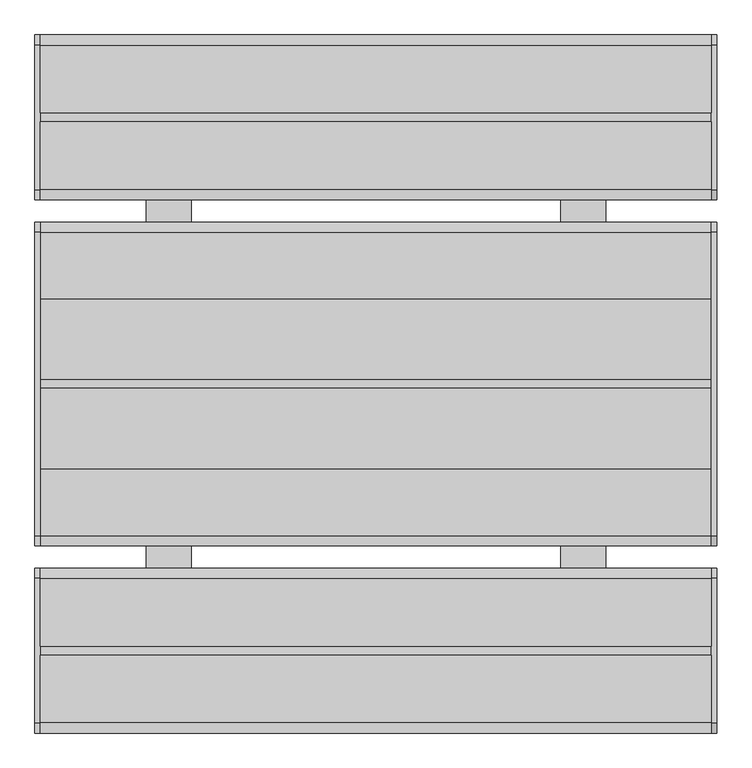
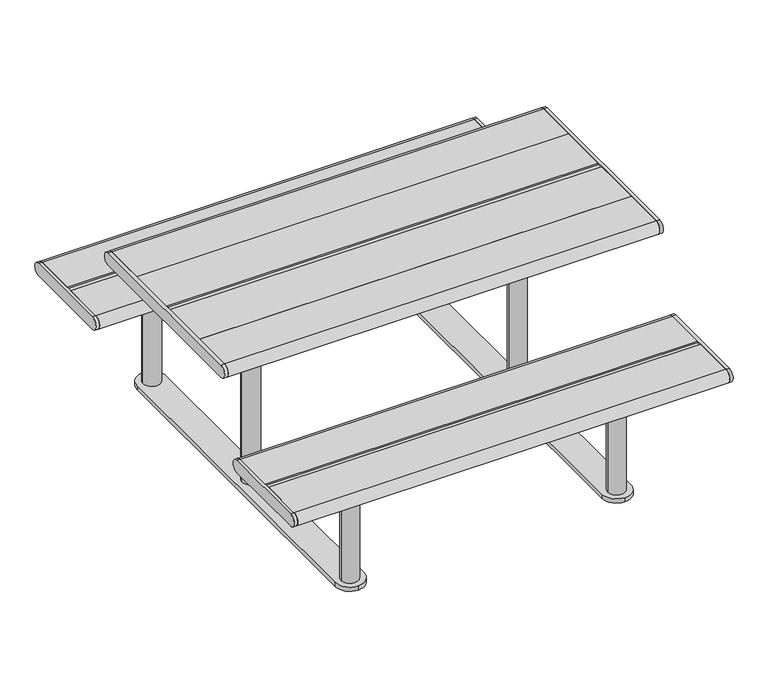
"""IFC4 building model written with IfcOpenShell, lengths in millimetres: furniture geometry."""

from ifc_helpers import new_model, si_unit, point, frame, frame_2d, origin, origin_with_axes, place, context, project, spatial, polyline, circle_curve, trimmed, segment, composite_curve, outline, extrude, source, transform, mapped, element, save


def furniture_c06e6933(model_context):
    return source(origin(), model_context, "Body", "SweptSolid", [
        extrude(outline(composite_curve([segment(trimmed(circle_curve(frame_2d((336.5, 717.2)), 22.5), [point((336.5, 739.7))], [point((336.5, 694.7))], False, "CARTESIAN"), True, "CONTINUOUS"), segment(polyline([(336.5, 694.7), (-336.5, 694.7)]), True, "CONTINUOUS"), segment(trimmed(circle_curve(frame_2d((-336.5, 717.2)), 22.5), [point((-336.5, 694.7))], [point((-336.5, 739.7))], False, "CARTESIAN"), True, "CONTINUOUS"), segment(polyline([(-336.5, 739.7), (336.5, 739.7)]), True, "CONTINUOUS")], self_intersect=False)), frame((745.0, 0.0, 0.0), z_axis=(1.0, 0.0, 0.0), x_axis=(0.0, 1.0, 0.0)), (0.0, 0.0, 1.0), 12.0),
        extrude(outline(composite_curve([segment(trimmed(circle_curve(frame_2d((336.5, 717.2)), 22.5), [point((336.5, 739.7))], [point((336.5, 694.7))], False, "CARTESIAN"), True, "CONTINUOUS"), segment(polyline([(336.5, 694.7), (-336.5, 694.7)]), True, "CONTINUOUS"), segment(trimmed(circle_curve(frame_2d((-336.5, 717.2)), 22.5), [point((-336.5, 694.7))], [point((-336.5, 739.7))], False, "CARTESIAN"), True, "CONTINUOUS"), segment(polyline([(-336.5, 739.7), (336.5, 739.7)]), True, "CONTINUOUS")], self_intersect=False)), frame((-757.0, 0.0, 0.0), z_axis=(1.0, 0.0, 0.0), x_axis=(0.0, 1.0, 0.0)), (0.0, 0.0, 1.0), 12.0),
        extrude(outline(composite_curve([segment(polyline([(-582.0, 449.7), (-431.5001576, 449.7)]), True, "CONTINUOUS"), segment(trimmed(circle_curve(frame_2d((-431.5001576, 427.2)), 22.5), [point((-431.5001576, 449.7))], [point((-431.5001576, 404.7))], False, "CARTESIAN"), True, "CONTINUOUS"), segment(polyline([(-431.5001576, 404.7), (-582.0, 404.7), (-582.0, 449.7)]), True, "CONTINUOUS")], self_intersect=False)), frame((-745.0, 0.0, 0.0), z_axis=(1.0, 0.0, 0.0), x_axis=(0.0, 1.0, 0.0)), (0.0, 0.0, 1.0), 1490.0),
        extrude(outline(composite_curve([segment(polyline([(-602.0, 449.7), (-602.0, 404.7), (-752.4998424, 404.7)]), True, "CONTINUOUS"), segment(trimmed(circle_curve(frame_2d((-752.4998424, 427.2)), 22.5), [point((-752.4998424, 404.7))], [point((-752.4998424, 449.7))], False, "CARTESIAN"), True, "CONTINUOUS"), segment(polyline([(-752.4998424, 449.7), (-602.0, 449.7)]), True, "CONTINUOUS")], self_intersect=False)), frame((-745.0, 0.0, 0.0), z_axis=(1.0, 0.0, 0.0), x_axis=(0.0, 1.0, 0.0)), (0.0, 0.0, 1.0), 1490.0),
        extrude(outline(composite_curve([segment(polyline([(-752.5, 449.7), (-431.5, 449.7)]), True, "CONTINUOUS"), segment(trimmed(circle_curve(frame_2d((-431.5, 427.2)), 22.5), [point((-431.5, 449.7))], [point((-431.5, 404.7))], False, "CARTESIAN"), True, "CONTINUOUS"), segment(polyline([(-431.5, 404.7), (-752.5, 404.7)]), True, "CONTINUOUS"), segment(trimmed(circle_curve(frame_2d((-752.5, 427.2)), 22.5), [point((-752.5, 404.7))], [point((-752.5, 449.7))], False, "CARTESIAN"), True, "CONTINUOUS")], self_intersect=False)), frame((745.0, 0.0, 0.0), z_axis=(1.0, 0.0, 0.0), x_axis=(0.0, 1.0, 0.0)), (0.0, 0.0, 1.0), 12.0),
        extrude(outline(polyline([(745.0, -582.0), (745.0, -602.0), (-745.0, -602.0), (-745.0, -582.0), (745.0, -582.0)])), frame((0.0, 0.0, 404.7), z_axis=(0.0, 0.0, 1.0), x_axis=(1.0, 0.0, 0.0)), (0.0, 0.0, 1.0), 40.0),
        extrude(outline(composite_curve([segment(polyline([(-752.5, 449.7), (-431.5, 449.7)]), True, "CONTINUOUS"), segment(trimmed(circle_curve(frame_2d((-431.5, 427.2)), 22.5), [point((-431.5, 449.7))], [point((-431.5, 404.7))], False, "CARTESIAN"), True, "CONTINUOUS"), segment(polyline([(-431.5, 404.7), (-752.5, 404.7)]), True, "CONTINUOUS"), segment(trimmed(circle_curve(frame_2d((-752.5, 427.2)), 22.5), [point((-752.5, 404.7))], [point((-752.5, 449.7))], False, "CARTESIAN"), True, "CONTINUOUS")], self_intersect=False)), frame((-757.0, 0.0, 0.0), z_axis=(1.0, 0.0, 0.0), x_axis=(0.0, 1.0, 0.0)), (0.0, 0.0, 1.0), 12.0),
        extrude(outline(composite_curve([segment(polyline([(582.0, 449.7), (582.0, 404.7), (431.5001576, 404.7)]), True, "CONTINUOUS"), segment(trimmed(circle_curve(frame_2d((431.5001576, 427.2)), 22.5), [point((431.5001576, 404.7))], [point((431.5001576, 449.7))], False, "CARTESIAN"), True, "CONTINUOUS"), segment(polyline([(431.5001576, 449.7), (582.0, 449.7)]), True, "CONTINUOUS")], self_intersect=False)), frame((-745.0, 0.0, 0.0), z_axis=(1.0, 0.0, 0.0), x_axis=(0.0, 1.0, 0.0)), (0.0, 0.0, 1.0), 1490.0),
        extrude(outline(composite_curve([segment(polyline([(602.0, 449.7), (752.4998424, 449.7)]), True, "CONTINUOUS"), segment(trimmed(circle_curve(frame_2d((752.4998424, 427.2)), 22.5), [point((752.4998424, 449.7))], [point((752.4998424, 404.7))], False, "CARTESIAN"), True, "CONTINUOUS"), segment(polyline([(752.4998424, 404.7), (602.0, 404.7), (602.0, 449.7)]), True, "CONTINUOUS")], self_intersect=False)), frame((-745.0, 0.0, 0.0), z_axis=(1.0, 0.0, 0.0), x_axis=(0.0, 1.0, 0.0)), (0.0, 0.0, 1.0), 1490.0),
        extrude(outline(composite_curve([segment(trimmed(circle_curve(frame_2d((752.5, 427.2)), 22.5), [point((752.5, 449.7))], [point((752.5, 404.7))], False, "CARTESIAN"), True, "CONTINUOUS"), segment(polyline([(752.5, 404.7), (431.5, 404.7)]), True, "CONTINUOUS"), segment(trimmed(circle_curve(frame_2d((431.5, 427.2)), 22.5), [point((431.5, 404.7))], [point((431.5, 449.7))], False, "CARTESIAN"), True, "CONTINUOUS"), segment(polyline([(431.5, 449.7), (752.5, 449.7)]), True, "CONTINUOUS")], self_intersect=False)), frame((745.0, 0.0, 0.0), z_axis=(1.0, 0.0, 0.0), x_axis=(0.0, 1.0, 0.0)), (0.0, 0.0, 1.0), 12.0),
        extrude(outline(polyline([(745.0, 602.0), (745.0, 582.0), (-745.0, 582.0), (-745.0, 602.0), (745.0, 602.0)])), frame((0.0, 0.0, 404.7), z_axis=(0.0, 0.0, 1.0), x_axis=(1.0, 0.0, 0.0)), (0.0, 0.0, 1.0), 40.0),
        extrude(outline(composite_curve([segment(trimmed(circle_curve(frame_2d((752.5, 427.2)), 22.5), [point((752.5, 449.7))], [point((752.5, 404.7))], False, "CARTESIAN"), True, "CONTINUOUS"), segment(polyline([(752.5, 404.7), (431.5, 404.7)]), True, "CONTINUOUS"), segment(trimmed(circle_curve(frame_2d((431.5, 427.2)), 22.5), [point((431.5, 404.7))], [point((431.5, 449.7))], False, "CARTESIAN"), True, "CONTINUOUS"), segment(polyline([(431.5, 449.7), (752.5, 449.7)]), True, "CONTINUOUS")], self_intersect=False)), frame((-757.0, 0.0, 0.0), z_axis=(1.0, 0.0, 0.0), x_axis=(0.0, 1.0, 0.0)), (0.0, 0.0, 1.0), 12.0),
        extrude(outline(polyline([(745.0, -10.0), (745.0, -187.75), (-745.0, -187.75), (-745.0, -10.0), (745.0, -10.0)])), frame((0.0, 0.0, 694.7), z_axis=(0.0, 0.0, 1.0), x_axis=(1.0, 0.0, 0.0)), (0.0, 0.0, 1.0), 45.0),
        extrude(outline(polyline([(745.0, 187.75), (745.0, 10.0), (-745.0, 10.0), (-745.0, 187.75), (745.0, 187.75)])), frame((0.0, 0.0, 694.7), z_axis=(0.0, 0.0, 1.0), x_axis=(1.0, 0.0, 0.0)), (0.0, 0.0, 1.0), 45.0),
        extrude(outline(composite_curve([segment(polyline([(187.75, 739.7), (336.4998635, 739.7)]), True, "CONTINUOUS"), segment(trimmed(circle_curve(frame_2d((336.4998635, 717.2)), 22.5), [point((336.4998635, 739.7))], [point((336.4998635, 694.7))], False, "CARTESIAN"), True, "CONTINUOUS"), segment(polyline([(336.4998635, 694.7), (187.75, 694.7), (187.75, 739.7)]), True, "CONTINUOUS")], self_intersect=False)), frame((-745.0, 0.0, 0.0), z_axis=(1.0, 0.0, 0.0), x_axis=(0.0, 1.0, 0.0)), (0.0, 0.0, 1.0), 1490.0),
        extrude(outline(composite_curve([segment(polyline([(-187.75, 739.7), (-187.75, 694.7), (-336.4998635, 694.7)]), True, "CONTINUOUS"), segment(trimmed(circle_curve(frame_2d((-336.4998635, 717.2)), 22.5), [point((-336.4998635, 694.7))], [point((-336.4998635, 739.7))], False, "CARTESIAN"), True, "CONTINUOUS"), segment(polyline([(-336.4998635, 739.7), (-187.75, 739.7)]), True, "CONTINUOUS")], self_intersect=False)), frame((-745.0, 0.0, 0.0), z_axis=(1.0, 0.0, 0.0), x_axis=(0.0, 1.0, 0.0)), (0.0, 0.0, 1.0), 1490.0),
        extrude(outline(polyline([(745.0, 10.0), (745.0, -10.0), (-745.0, -10.0), (-745.0, 10.0), (745.0, 10.0)])), frame((0.0, 0.0, 694.7), z_axis=(0.0, 0.0, 1.0), x_axis=(1.0, 0.0, 0.0)), (0.0, 0.0, 1.0), 40.0),
        extrude(outline(composite_curve([segment(trimmed(circle_curve(frame_2d((505.0, 120.0)), 5.0), [point((505.0, 125.0))], [point((510.0, 120.0))], False, "CARTESIAN"), True, "CONTINUOUS"), segment(polyline([(510.0, 120.0), (510.0, -120.0)]), True, "CONTINUOUS"), segment(trimmed(circle_curve(frame_2d((505.0, -120.0)), 5.0), [point((510.0, -120.0))], [point((505.0, -125.0))], False, "CARTESIAN"), True, "CONTINUOUS"), segment(polyline([(505.0, -125.0), (415.0, -125.0)]), True, "CONTINUOUS"), segment(trimmed(circle_curve(frame_2d((415.0, -120.0)), 5.0), [point((415.0, -125.0))], [point((410.0, -120.0))], False, "CARTESIAN"), True, "CONTINUOUS"), segment(polyline([(410.0, -120.0), (410.0, 120.0)]), True, "CONTINUOUS"), segment(trimmed(circle_curve(frame_2d((415.0, 120.0)), 5.0), [point((410.0, 120.0))], [point((415.0, 125.0))], False, "CARTESIAN"), True, "CONTINUOUS"), segment(polyline([(415.0, 125.0), (505.0, 125.0)]), True, "CONTINUOUS")], self_intersect=False)), frame((0.0, 0.0, 679.0), z_axis=(0.0, 0.0, 1.0), x_axis=(1.0, 0.0, 0.0)), (0.0, 0.0, 1.0), 7.85),
        extrude(outline(composite_curve([segment(trimmed(circle_curve(frame_2d((505.0, 295.0)), 5.0), [point((505.0, 300.0))], [point((510.0, 295.0))], False, "CARTESIAN"), True, "CONTINUOUS"), segment(polyline([(510.0, 295.0), (510.0, -295.0)]), True, "CONTINUOUS"), segment(trimmed(circle_curve(frame_2d((505.0, -295.0)), 5.0), [point((510.0, -295.0))], [point((505.0, -300.0))], False, "CARTESIAN"), True, "CONTINUOUS"), segment(polyline([(505.0, -300.0), (415.0, -300.0)]), True, "CONTINUOUS"), segment(trimmed(circle_curve(frame_2d((415.0, -295.0)), 5.0), [point((415.0, -300.0))], [point((410.0, -295.0))], False, "CARTESIAN"), True, "CONTINUOUS"), segment(polyline([(410.0, -295.0), (410.0, 295.0)]), True, "CONTINUOUS"), segment(trimmed(circle_curve(frame_2d((415.0, 295.0)), 5.0), [point((410.0, 295.0))], [point((415.0, 300.0))], False, "CARTESIAN"), True, "CONTINUOUS"), segment(polyline([(415.0, 300.0), (505.0, 300.0)]), True, "CONTINUOUS")], self_intersect=False)), frame((0.0, 0.0, 686.85), z_axis=(0.0, 0.0, 1.0), x_axis=(1.0, 0.0, 0.0)), (0.0, 0.0, 1.0), 7.85),
        extrude(outline(composite_curve([segment(polyline([(-505.0, 125.0), (-415.0, 125.0)]), True, "CONTINUOUS"), segment(trimmed(circle_curve(frame_2d((-415.0, 120.0)), 5.0), [point((-415.0, 125.0))], [point((-410.0, 120.0))], False, "CARTESIAN"), True, "CONTINUOUS"), segment(polyline([(-410.0, 120.0), (-410.0, -120.0)]), True, "CONTINUOUS"), segment(trimmed(circle_curve(frame_2d((-415.0, -120.0)), 5.0), [point((-410.0, -120.0))], [point((-415.0, -125.0))], False, "CARTESIAN"), True, "CONTINUOUS"), segment(polyline([(-415.0, -125.0), (-505.0, -125.0)]), True, "CONTINUOUS"), segment(trimmed(circle_curve(frame_2d((-505.0, -120.0)), 5.0), [point((-505.0, -125.0))], [point((-510.0, -120.0))], False, "CARTESIAN"), True, "CONTINUOUS"), segment(polyline([(-510.0, -120.0), (-510.0, 120.0)]), True, "CONTINUOUS"), segment(trimmed(circle_curve(frame_2d((-505.0, 120.0)), 5.0), [point((-510.0, 120.0))], [point((-505.0, 125.0))], False, "CARTESIAN"), True, "CONTINUOUS")], self_intersect=False)), frame((0.0, 0.0, 679.0), z_axis=(0.0, 0.0, 1.0), x_axis=(1.0, 0.0, 0.0)), (0.0, 0.0, 1.0), 7.85),
        extrude(outline(composite_curve([segment(polyline([(-505.0, 300.0), (-415.0, 300.0)]), True, "CONTINUOUS"), segment(trimmed(circle_curve(frame_2d((-415.0, 295.0)), 5.0), [point((-415.0, 300.0))], [point((-410.0, 295.0))], False, "CARTESIAN"), True, "CONTINUOUS"), segment(polyline([(-410.0, 295.0), (-410.0, -295.0)]), True, "CONTINUOUS"), segment(trimmed(circle_curve(frame_2d((-415.0, -295.0)), 5.0), [point((-410.0, -295.0))], [point((-415.0, -300.0))], False, "CARTESIAN"), True, "CONTINUOUS"), segment(polyline([(-415.0, -300.0), (-505.0, -300.0)]), True, "CONTINUOUS"), segment(trimmed(circle_curve(frame_2d((-505.0, -295.0)), 5.0), [point((-505.0, -300.0))], [point((-510.0, -295.0))], False, "CARTESIAN"), True, "CONTINUOUS"), segment(polyline([(-510.0, -295.0), (-510.0, 295.0)]), True, "CONTINUOUS"), segment(trimmed(circle_curve(frame_2d((-505.0, 295.0)), 5.0), [point((-510.0, 295.0))], [point((-505.0, 300.0))], False, "CARTESIAN"), True, "CONTINUOUS")], self_intersect=False)), frame((0.0, 0.0, 686.85), z_axis=(0.0, 0.0, 1.0), x_axis=(1.0, 0.0, 0.0)), (0.0, 0.0, 1.0), 7.85),
        extrude(outline(composite_curve([segment(polyline([(505.0, -717.0), (415.0, -717.0)]), True, "CONTINUOUS"), segment(trimmed(circle_curve(frame_2d((415.0, -712.0)), 5.0), [point((415.0, -717.0))], [point((410.0, -712.0))], False, "CARTESIAN"), True, "CONTINUOUS"), segment(polyline([(410.0, -712.0), (410.0, -472.0)]), True, "CONTINUOUS"), segment(trimmed(circle_curve(frame_2d((415.0, -472.0)), 5.0), [point((410.0, -472.0))], [point((415.0, -467.0))], False, "CARTESIAN"), True, "CONTINUOUS"), segment(polyline([(415.0, -467.0), (505.0, -467.0)]), True, "CONTINUOUS"), segment(trimmed(circle_curve(frame_2d((505.0, -472.0)), 5.0), [point((505.0, -467.0))], [point((510.0, -472.0))], False, "CARTESIAN"), True, "CONTINUOUS"), segment(polyline([(510.0, -472.0), (510.0, -712.0)]), True, "CONTINUOUS"), segment(trimmed(circle_curve(frame_2d((505.0, -712.0)), 5.0), [point((510.0, -712.0))], [point((505.0, -717.0))], False, "CARTESIAN"), True, "CONTINUOUS")], self_intersect=False)), frame((0.0, 0.0, 389.0), z_axis=(0.0, 0.0, 1.0), x_axis=(1.0, 0.0, 0.0)), (0.0, 0.0, 1.0), 15.7),
        extrude(outline(composite_curve([segment(trimmed(circle_curve(frame_2d((505.0, 712.0)), 5.0), [point((505.0, 717.0))], [point((510.0, 712.0))], False, "CARTESIAN"), True, "CONTINUOUS"), segment(polyline([(510.0, 712.0), (510.0, 472.0)]), True, "CONTINUOUS"), segment(trimmed(circle_curve(frame_2d((505.0, 472.0)), 5.0), [point((510.0, 472.0))], [point((505.0, 467.0))], False, "CARTESIAN"), True, "CONTINUOUS"), segment(polyline([(505.0, 467.0), (415.0, 467.0)]), True, "CONTINUOUS"), segment(trimmed(circle_curve(frame_2d((415.0, 472.0)), 5.0), [point((415.0, 467.0))], [point((410.0, 472.0))], False, "CARTESIAN"), True, "CONTINUOUS"), segment(polyline([(410.0, 472.0), (410.0, 712.0)]), True, "CONTINUOUS"), segment(trimmed(circle_curve(frame_2d((415.0, 712.0)), 5.0), [point((410.0, 712.0))], [point((415.0, 717.0))], False, "CARTESIAN"), True, "CONTINUOUS"), segment(polyline([(415.0, 717.0), (505.0, 717.0)]), True, "CONTINUOUS")], self_intersect=False)), frame((0.0, 0.0, 389.0), z_axis=(0.0, 0.0, 1.0), x_axis=(1.0, 0.0, 0.0)), (0.0, 0.0, 1.0), 15.7),
        extrude(outline(composite_curve([segment(trimmed(circle_curve(frame_2d((-505.0, -712.0)), 5.0), [point((-505.0, -717.0))], [point((-510.0, -712.0))], False, "CARTESIAN"), True, "CONTINUOUS"), segment(polyline([(-510.0, -712.0), (-510.0, -472.0)]), True, "CONTINUOUS"), segment(trimmed(circle_curve(frame_2d((-505.0, -472.0)), 5.0), [point((-510.0, -472.0))], [point((-505.0, -467.0))], False, "CARTESIAN"), True, "CONTINUOUS"), segment(polyline([(-505.0, -467.0), (-415.0, -467.0)]), True, "CONTINUOUS"), segment(trimmed(circle_curve(frame_2d((-415.0, -472.0)), 5.0), [point((-415.0, -467.0))], [point((-410.0, -472.0))], False, "CARTESIAN"), True, "CONTINUOUS"), segment(polyline([(-410.0, -472.0), (-410.0, -712.0)]), True, "CONTINUOUS"), segment(trimmed(circle_curve(frame_2d((-415.0, -712.0)), 5.0), [point((-410.0, -712.0))], [point((-415.0, -717.0))], False, "CARTESIAN"), True, "CONTINUOUS"), segment(polyline([(-415.0, -717.0), (-505.0, -717.0)]), True, "CONTINUOUS")], self_intersect=False)), frame((0.0, 0.0, 389.0), z_axis=(0.0, 0.0, 1.0), x_axis=(1.0, 0.0, 0.0)), (0.0, 0.0, 1.0), 15.7),
        extrude(outline(composite_curve([segment(polyline([(-505.0, 717.0), (-415.0, 717.0)]), True, "CONTINUOUS"), segment(trimmed(circle_curve(frame_2d((-415.0, 712.0)), 5.0), [point((-415.0, 717.0))], [point((-410.0, 712.0))], False, "CARTESIAN"), True, "CONTINUOUS"), segment(polyline([(-410.0, 712.0), (-410.0, 472.0)]), True, "CONTINUOUS"), segment(trimmed(circle_curve(frame_2d((-415.0, 472.0)), 5.0), [point((-410.0, 472.0))], [point((-415.0, 467.0))], False, "CARTESIAN"), True, "CONTINUOUS"), segment(polyline([(-415.0, 467.0), (-505.0, 467.0)]), True, "CONTINUOUS"), segment(trimmed(circle_curve(frame_2d((-505.0, 472.0)), 5.0), [point((-505.0, 467.0))], [point((-510.0, 472.0))], False, "CARTESIAN"), True, "CONTINUOUS"), segment(polyline([(-510.0, 472.0), (-510.0, 712.0)]), True, "CONTINUOUS"), segment(trimmed(circle_curve(frame_2d((-505.0, 712.0)), 5.0), [point((-510.0, 712.0))], [point((-505.0, 717.0))], False, "CARTESIAN"), True, "CONTINUOUS")], self_intersect=False)), frame((0.0, 0.0, 389.0), z_axis=(0.0, 0.0, 1.0), x_axis=(1.0, 0.0, 0.0)), (0.0, 0.0, 1.0), 15.7),
        extrude(outline(composite_curve([segment(trimmed(circle_curve(frame_2d((460.0, 0.0)), 30.0), [point((490.0, 0.0))], [point((430.0, 0.0))], False, "CARTESIAN"), True, "CONTINUOUS"), segment(trimmed(circle_curve(frame_2d((460.0, 0.0)), 30.0), [point((430.0, 0.0))], [point((490.0, 0.0))], False, "CARTESIAN"), True, "CONTINUOUS")], self_intersect=False)), frame((0.0, 0.0, 15.0), z_axis=(0.0, 0.0, 1.0), x_axis=(1.0, 0.0, 0.0)), (0.0, 0.0, 1.0), 664.0),
        extrude(outline(composite_curve([segment(trimmed(circle_curve(frame_2d((-460.0, 0.0)), 30.0), [point((-490.0, 0.0))], [point((-430.0, 0.0))], False, "CARTESIAN"), True, "CONTINUOUS"), segment(trimmed(circle_curve(frame_2d((-460.0, 0.0)), 30.0), [point((-430.0, 0.0))], [point((-490.0, 0.0))], False, "CARTESIAN"), True, "CONTINUOUS")], self_intersect=False)), frame((0.0, 0.0, 15.0), z_axis=(0.0, 0.0, 1.0), x_axis=(1.0, 0.0, 0.0)), (0.0, 0.0, 1.0), 664.0),
        extrude(outline(composite_curve([segment(trimmed(circle_curve(frame_2d((460.0, -592.0)), 30.0), [point((490.0, -592.0))], [point((430.0, -592.0))], False, "CARTESIAN"), True, "CONTINUOUS"), segment(trimmed(circle_curve(frame_2d((460.0, -592.0)), 30.0), [point((430.0, -592.0))], [point((490.0, -592.0))], False, "CARTESIAN"), True, "CONTINUOUS")], self_intersect=False)), frame((0.0, 0.0, 15.0), z_axis=(0.0, 0.0, 1.0), x_axis=(1.0, 0.0, 0.0)), (0.0, 0.0, 1.0), 374.0),
        extrude(outline(composite_curve([segment(trimmed(circle_curve(frame_2d((460.0, 592.0)), 30.0), [point((490.0, 592.0))], [point((430.0, 592.0))], False, "CARTESIAN"), True, "CONTINUOUS"), segment(trimmed(circle_curve(frame_2d((460.0, 592.0)), 30.0), [point((430.0, 592.0))], [point((490.0, 592.0))], False, "CARTESIAN"), True, "CONTINUOUS")], self_intersect=False)), frame((0.0, 0.0, 15.0), z_axis=(0.0, 0.0, 1.0), x_axis=(1.0, 0.0, 0.0)), (0.0, 0.0, 1.0), 374.0),
        extrude(outline(composite_curve([segment(trimmed(circle_curve(frame_2d((-460.0, -592.0)), 30.0), [point((-490.0, -592.0))], [point((-430.0, -592.0))], False, "CARTESIAN"), True, "CONTINUOUS"), segment(trimmed(circle_curve(frame_2d((-460.0, -592.0)), 30.0), [point((-430.0, -592.0))], [point((-490.0, -592.0))], False, "CARTESIAN"), True, "CONTINUOUS")], self_intersect=False)), frame((0.0, 0.0, 15.0), z_axis=(0.0, 0.0, 1.0), x_axis=(1.0, 0.0, 0.0)), (0.0, 0.0, 1.0), 374.0),
        extrude(outline(composite_curve([segment(trimmed(circle_curve(frame_2d((-460.0, 592.0)), 30.0), [point((-490.0, 592.0))], [point((-430.0, 592.0))], False, "CARTESIAN"), True, "CONTINUOUS"), segment(trimmed(circle_curve(frame_2d((-460.0, 592.0)), 30.0), [point((-430.0, 592.0))], [point((-490.0, 592.0))], False, "CARTESIAN"), True, "CONTINUOUS")], self_intersect=False)), frame((0.0, 0.0, 15.0), z_axis=(0.0, 0.0, 1.0), x_axis=(1.0, 0.0, 0.0)), (0.0, 0.0, 1.0), 374.0),
        extrude(outline(composite_curve([segment(polyline([(-510.0, -592.0), (-510.0, 592.0)]), True, "CONTINUOUS"), segment(trimmed(circle_curve(frame_2d((-460.0, 592.0)), 50.0), [point((-510.0, 592.0))], [point((-410.0, 592.0))], False, "CARTESIAN"), True, "CONTINUOUS"), segment(polyline([(-410.0, 592.0), (-410.0, -592.0)]), True, "CONTINUOUS"), segment(trimmed(circle_curve(frame_2d((-460.0, -592.0)), 50.0), [point((-410.0, -592.0))], [point((-460.0, -642.0))], False, "CARTESIAN"), True, "CONTINUOUS"), segment(trimmed(circle_curve(frame_2d((-460.0, -592.0)), 50.0), [point((-460.0, -642.0))], [point((-510.0, -592.0))], False, "CARTESIAN"), True, "CONTINUOUS")], self_intersect=False)), origin_with_axes(), (0.0, 0.0, 1.0), 15.0),
        extrude(outline(composite_curve([segment(trimmed(circle_curve(frame_2d((460.0, -592.0)), 50.0), [point((510.0, -592.0))], [point((460.0, -642.0))], False, "CARTESIAN"), True, "CONTINUOUS"), segment(trimmed(circle_curve(frame_2d((460.0, -592.0)), 50.0), [point((460.0, -642.0))], [point((410.0, -592.0))], False, "CARTESIAN"), True, "CONTINUOUS"), segment(polyline([(410.0, -592.0), (410.0, 592.0)]), True, "CONTINUOUS"), segment(trimmed(circle_curve(frame_2d((460.0, 592.0)), 50.0), [point((410.0, 592.0))], [point((510.0, 592.0))], False, "CARTESIAN"), True, "CONTINUOUS"), segment(polyline([(510.0, 592.0), (510.0, -592.0)]), True, "CONTINUOUS")], self_intersect=False)), origin_with_axes(), (0.0, 0.0, 1.0), 15.0),
    ])


if __name__ == "__main__":
    model = new_model("IFC4")
    model_context = context("Model", 3, world=origin())
    ifc_project = project(units=[si_unit("LENGTHUNIT", "METRE", prefix="MILLI")], contexts=[model_context])
    site = spatial("IfcSite", under=ifc_project)
    building = spatial("IfcBuilding", under=site)
    placement = place(None, origin())
    furniture_shape = furniture_c06e6933(model_context)
    element("IfcFurniture", 1, at=placement, inside=building, context=model_context, shape_type="MappedRepresentation", body=[
        mapped(furniture_shape, transform((0.0, 0.0, 0.0), x_axis=(1.0, 0.0, 0.0), y_axis=(0.0, 1.0, 0.0), z_axis=(0.0, 0.0, 1.0))),
    ])
    save(model, "model.ifc")
